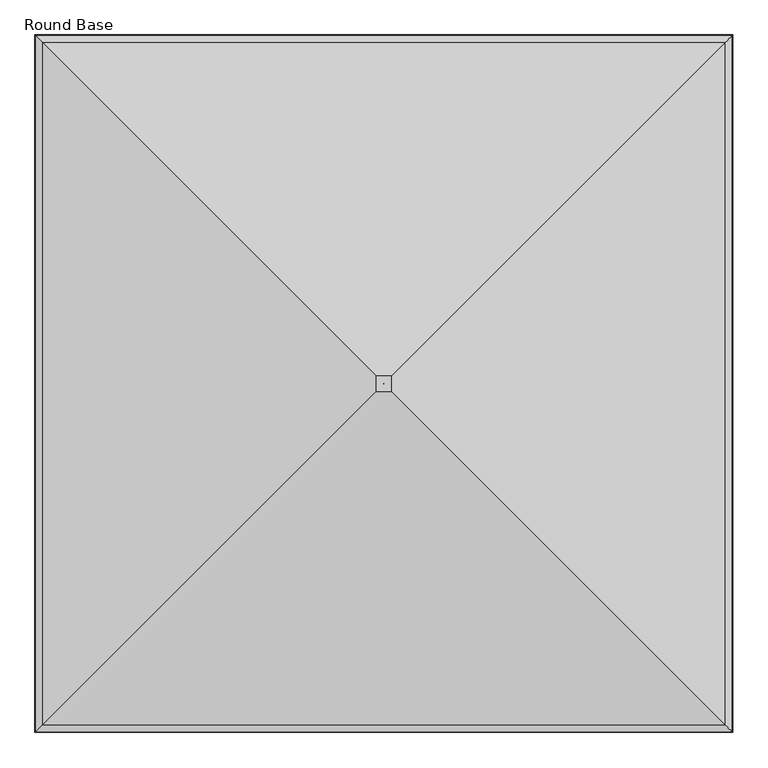
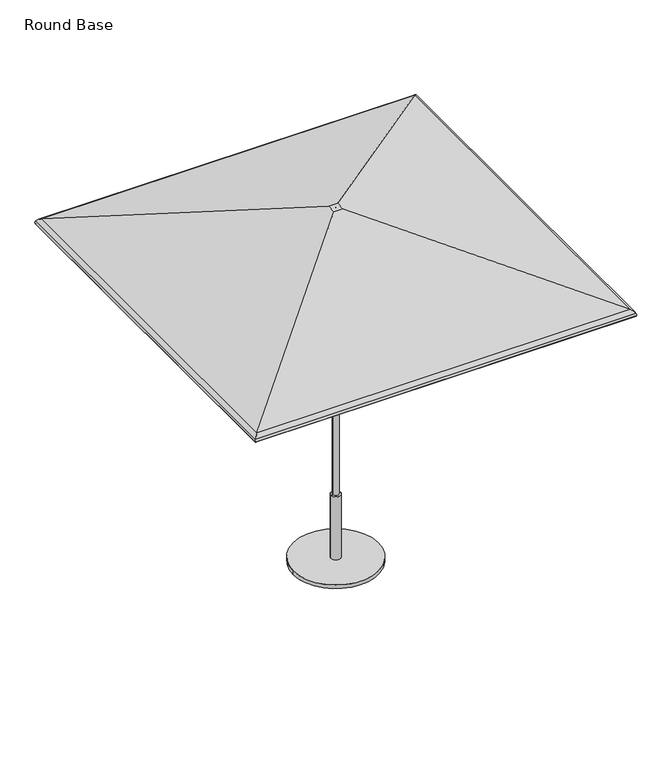
"""IFC4 building model written with IfcOpenShell, lengths in millimetres: furniture geometry, Round Base."""

from ifc_helpers import new_model, si_unit, point, frame, frame_2d, origin, origin_with_axes, place, context, project, spatial, polyline, circle_curve, ellipse_curve, trimmed, segment, composite_curve, outline, extrude, source, transform, mapped, element, save
from ifc_brep_helpers import plane_surface, cylinder_surface, revolved_surface, advanced_brep


def round_base_5a22792f(model_context):
    return source(origin(), model_context, "Body", "SolidModel", [
        advanced_brep(
        [(1223.4008004, -1227.8003535, 2056.1384861), (29.1271987, -33.5267518, 2448.9851097), (-29.1271987, -33.5267518, 2448.9851097), (-1223.4008004, -1227.8003535, 2056.1384861), (1247.9240129, -1252.323566, 2036.3991387), (-1247.9240129, -1252.323566, 2036.3991387), (1250.4423911, -1254.8419442, 2016.9581742), (-1250.4423911, -1254.8419442, 2016.9581742), (1246.050839, -1250.4503921, 2018.201129), (-1246.050839, -1250.4503921, 2018.201129), (1243.9941233, -1248.3936765, 2034.0782262), (-1243.9941233, -1248.3936765, 2034.0782262), (1221.9738888, -1226.3734419, 2051.8032133), (-1221.9738888, -1226.3734419, 2051.8032133), (28.3958193, -32.7953724, 2444.4210472), (-28.3958193, -32.7953724, 2444.4210472), (0.1068966, -4.5064497, 2448.9851097), (0.1068966, -4.5064497, 2444.4210472), (-0.1068966, -4.5064497, 2444.4210472), (-0.1068966, -4.5064497, 2448.9851097), (-29.1271987, 25.4668702, 2448.9851097), (-1223.4008004, 1219.740472, 2056.1384861), (-1247.9240129, 1244.2636844, 2036.3991387), (-1250.4423911, 1246.7820627, 2016.9581742), (-1246.050839, 1242.3905106, 2018.201129), (-1243.9941233, 1240.3337949, 2034.0782262), (-1221.9738888, 1218.3135603, 2051.8032133), (-28.3958193, 24.7354908, 2444.4210472), (-0.1068966, -3.5534318, 2444.4210472), (-0.1068966, -3.5534318, 2448.9851097), (29.1271987, 25.4668702, 2448.9851097), (1223.4008004, 1219.740472, 2056.1384861), (1247.9240129, 1244.2636844, 2036.3991387), (1250.4423911, 1246.7820627, 2016.9581742), (1246.050839, 1242.3905106, 2018.201129), (1243.9941233, 1240.3337949, 2034.0782262), (1221.9738888, 1218.3135603, 2051.8032133), (28.3958193, 24.7354908, 2444.4210472), (0.1068966, -3.5534318, 2444.4210472), (0.1068966, -3.5534318, 2448.9851097)],
        [
            (0, 1),
            (1, 2),
            (2, 3),
            (3, 0),
            (4, 0, ellipse_curve(frame((1209.4091708, -1213.8087239, 2013.6530594), z_axis=(-0.707106781186547, -0.7071067811865481, 0.0), x_axis=(0.707106781186548, -0.7071067811865471, 0.0)), 63.2578403, 44.7300479)),
            (3, 5, ellipse_curve(frame((-1209.4091708, -1213.8087239, 2013.6530594), z_axis=(0.7071067811865491, -0.7071067811865459, 0.0), x_axis=(0.7071067811865458, 0.7071067811865491, 0.0)), 63.2578403, 44.7300479)),
            (5, 4),
            (6, 4, ellipse_curve(frame((1226.48639, -1230.8859431, 2023.7385164), z_axis=(-0.707106781186547, -0.7071067811865481, 0.0), x_axis=(0.707106781186548, -0.7071067811865471, 0.0)), 35.2097438, 24.8970486)),
            (5, 7, ellipse_curve(frame((-1226.48639, -1230.8859431, 2023.7385164), z_axis=(0.7071067811865491, -0.7071067811865459, 0.0), x_axis=(0.7071067811865458, 0.7071067811865491, 0.0)), 35.2097438, 24.8970486)),
            (7, 6),
            (8, 6, ellipse_curve(frame((1248.2466151, -1252.6461682, 2017.5796516), z_axis=(-0.707106781186547, -0.7071067811865481, 0.0), x_axis=(0.707106781186548, -0.7071067811865471, 0.0)), 3.2272795, 2.2820312)),
            (7, 9, ellipse_curve(frame((-1248.2466151, -1252.6461682, 2017.5796516), z_axis=(0.7071067811865491, -0.7071067811865459, 0.0), x_axis=(0.7071067811865458, 0.7071067811865491, 0.0)), 3.2272795, 2.2820312)),
            (9, 8),
            (10, 8, ellipse_curve(frame((1226.48639, -1230.8859431, 2023.7385164), z_axis=(0.707106781186547, 0.7071067811865481, 0.0), x_axis=(-0.707106781186548, 0.7071067811865471, 0.0)), 28.7551847, 20.3329861)),
            (9, 11, ellipse_curve(frame((-1226.48639, -1230.8859431, 2023.7385164), z_axis=(-0.7071067811865491, 0.7071067811865459, 0.0), x_axis=(-0.7071067811865458, -0.7071067811865491, 0.0)), 28.7551847, 20.3329861)),
            (11, 10),
            (12, 10, ellipse_curve(frame((1209.4091708, -1213.8087239, 2013.6530594), z_axis=(0.707106781186547, 0.7071067811865481, 0.0), x_axis=(-0.707106781186548, 0.7071067811865471, 0.0)), 56.8032813, 40.1659854)),
            (11, 13, ellipse_curve(frame((-1209.4091708, -1213.8087239, 2013.6530594), z_axis=(-0.7071067811865491, 0.7071067811865459, 0.0), x_axis=(-0.7071067811865458, -0.7071067811865491, 0.0)), 56.8032813, 40.1659854)),
            (13, 12),
            (14, 12),
            (13, 15),
            (15, 14),
            (16, 17),
            (17, 18),
            (18, 19),
            (19, 16),
            (2, 20),
            (20, 21),
            (21, 3),
            (21, 22, ellipse_curve(frame((-1209.4091708, 1205.7488423, 2013.6530594), z_axis=(-0.7071067811865482, -0.7071067811865469, 0.0), x_axis=(0.707106781186547, -0.707106781186548, 0.0)), 63.2578403, 44.7300479)),
            (22, 5),
            (22, 23, ellipse_curve(frame((-1226.48639, 1222.8260616, 2023.7385164), z_axis=(-0.7071067811865482, -0.7071067811865469, 0.0), x_axis=(0.707106781186547, -0.707106781186548, 0.0)), 35.2097438, 24.8970486)),
            (23, 7),
            (23, 24, ellipse_curve(frame((-1248.2466151, 1244.5862866, 2017.5796516), z_axis=(-0.7071067811865482, -0.7071067811865469, 0.0), x_axis=(0.707106781186547, -0.707106781186548, 0.0)), 3.2272795, 2.2820312)),
            (24, 9),
            (24, 25, ellipse_curve(frame((-1226.48639, 1222.8260616, 2023.7385164), z_axis=(0.7071067811865482, 0.7071067811865469, 0.0), x_axis=(-0.707106781186547, 0.707106781186548, 0.0)), 28.7551847, 20.3329861)),
            (25, 11),
            (25, 26, ellipse_curve(frame((-1209.4091708, 1205.7488423, 2013.6530594), z_axis=(0.7071067811865482, 0.7071067811865469, 0.0), x_axis=(-0.707106781186547, 0.707106781186548, 0.0)), 56.8032813, 40.1659854)),
            (26, 13),
            (26, 27),
            (27, 15),
            (18, 28),
            (28, 29),
            (29, 19),
            (20, 30),
            (30, 31),
            (31, 21),
            (31, 32, ellipse_curve(frame((1209.4091708, 1205.7488423, 2013.6530594), z_axis=(-0.7071067811865458, 0.7071067811865492, 0.0), x_axis=(-0.7071067811865492, -0.7071067811865458, 0.0)), 63.2578403, 44.7300479)),
            (32, 22),
            (32, 33, ellipse_curve(frame((1226.48639, 1222.8260616, 2023.7385164), z_axis=(-0.7071067811865458, 0.7071067811865492, 0.0), x_axis=(-0.7071067811865492, -0.7071067811865458, 0.0)), 35.2097438, 24.8970486)),
            (33, 23),
            (33, 34, ellipse_curve(frame((1248.2466151, 1244.5862866, 2017.5796516), z_axis=(-0.7071067811865458, 0.7071067811865492, 0.0), x_axis=(-0.7071067811865492, -0.7071067811865458, 0.0)), 3.2272795, 2.2820312)),
            (34, 24),
            (34, 35, ellipse_curve(frame((1226.48639, 1222.8260616, 2023.7385164), z_axis=(0.7071067811865458, -0.7071067811865492, 0.0), x_axis=(0.7071067811865492, 0.7071067811865458, 0.0)), 28.7551847, 20.3329861)),
            (35, 25),
            (35, 36, ellipse_curve(frame((1209.4091708, 1205.7488423, 2013.6530594), z_axis=(0.7071067811865458, -0.7071067811865492, 0.0), x_axis=(0.7071067811865492, 0.7071067811865458, 0.0)), 56.8032813, 40.1659854)),
            (36, 26),
            (36, 37),
            (37, 27),
            (28, 38),
            (38, 39),
            (39, 29),
            (30, 1),
            (0, 31),
            (4, 32),
            (6, 33),
            (8, 34),
            (10, 35),
            (12, 36),
            (14, 37),
            (17, 38),
            (16, 39),
        ],
        [
            plane_surface(frame((29.1271987, -33.5267518, 2448.9851097), z_axis=(0.0, -0.3124708984398308, 0.9499273328145712), x_axis=(-1.0, 0.0, 0.0))),
            cylinder_surface(frame((1267.8016718, -1213.8087239, 2013.6530594), z_axis=(1.0, 0.0, 0.0), x_axis=(0.0, -1.0, 0.0)), 44.7300479),
            cylinder_surface(frame((1267.8016718, -1230.8859431, 2023.7385164), z_axis=(1.0, 0.0, 0.0), x_axis=(0.0, -1.0, 0.0)), 24.8970486),
            cylinder_surface(frame((1267.8016718, -1252.6461682, 2017.5796516), z_axis=(1.0, 0.0, 0.0), x_axis=(0.0, -1.0, 0.0)), 2.2820312),
            revolved_surface(polyline([(-1246.8193760956415, -1251.2189292, 2023.7385164), (1246.8193760956417, -1251.2189292, 2023.7385164)]), (1267.8016718, -1230.8859431, 2023.7385164), (-1.0, 0.0, 0.0)),
            revolved_surface(polyline([(-1249.5751562008768, -1253.9747092999999, 2013.6530594), (1249.575156200877, -1253.9747092999999, 2013.6530594)]), (1267.8016718, -1213.8087239, 2013.6530594), (-1.0, 0.0, 0.0)),
            plane_surface(frame((1221.9738888, -1226.3734419, 2051.8032133), z_axis=(0.0, 0.3124708984398308, -0.9499273328145712), x_axis=(-1.0, 0.0, 0.0))),
            plane_surface(frame((0.1068966, -4.5064497, 2444.4210472), z_axis=(-1.2662550629033169e-12, 1.0, 0.0), x_axis=(-1.0, -1.2662550629033169e-12, 0.0))),
            plane_surface(frame((-29.1271987, -33.5267518, 2448.9851097), z_axis=(-0.3124708984398277, 0.0, 0.9499273328145722), x_axis=(0.0, 1.0, 0.0))),
            cylinder_surface(frame((-1209.4091708, -1272.2012249, 2013.6530594), z_axis=(0.0, -1.0, 0.0), x_axis=(-1.0, 0.0, 0.0)), 44.7300479),
            cylinder_surface(frame((-1226.48639, -1272.2012249, 2023.7385164), z_axis=(0.0, -1.0, 0.0), x_axis=(-1.0, 0.0, 0.0)), 24.8970486),
            cylinder_surface(frame((-1248.2466151, -1272.2012249, 2017.5796516), z_axis=(0.0, -1.0, 0.0), x_axis=(-1.0, 0.0, 0.0)), 2.2820312),
            revolved_surface(polyline([(-1246.8193761, 1243.1590476956417, 2023.7385164), (-1246.8193761, -1251.2189291956417, 2023.7385164)]), (-1226.48639, -1272.2012249, 2023.7385164), (0.0, 1.0, 0.0)),
            revolved_surface(polyline([(-1249.5751562, 1245.9148277008771, 2013.6530594), (-1249.5751562, -1253.974709300877, 2013.6530594)]), (-1209.4091708, -1272.2012249, 2013.6530594), (0.0, 1.0, 0.0)),
            plane_surface(frame((-1221.9738888, -1226.3734419, 2051.8032133), z_axis=(0.3124708984398277, 0.0, -0.9499273328145722), x_axis=(0.0, 1.0, 0.0))),
            plane_surface(frame((-0.1068966, -4.5064497, 2444.4210472), z_axis=(1.0, 0.0, 0.0), x_axis=(0.0, 1.0, 0.0))),
            plane_surface(frame((-29.1271987, 25.4668702, 2448.9851097), z_axis=(0.0, 0.31247089843983084, 0.9499273328145712), x_axis=(1.0, 0.0, 0.0))),
            cylinder_surface(frame((-1267.8016718, 1205.7488423, 2013.6530594), z_axis=(-1.0, 0.0, 0.0), x_axis=(0.0, 1.0, 0.0)), 44.7300479),
            cylinder_surface(frame((-1267.8016718, 1222.8260616, 2023.7385164), z_axis=(-1.0, 0.0, 0.0), x_axis=(0.0, 1.0, 0.0)), 24.8970486),
            cylinder_surface(frame((-1267.8016718, 1244.5862866, 2017.5796516), z_axis=(-1.0, 0.0, 0.0), x_axis=(0.0, 1.0, 0.0)), 2.2820312),
            revolved_surface(polyline([(1246.819376095642, 1243.1590477, 2023.7385164), (-1246.8193760956417, 1243.1590477, 2023.7385164)]), (-1267.8016718, 1222.8260616, 2023.7385164), (1.0, 0.0, 0.0)),
            revolved_surface(polyline([(1249.5751562008772, 1245.9148277, 2013.6530594), (-1249.575156200877, 1245.9148277, 2013.6530594)]), (-1267.8016718, 1205.7488423, 2013.6530594), (1.0, 0.0, 0.0)),
            plane_surface(frame((-1221.9738888, 1218.3135603, 2051.8032133), z_axis=(0.0, -0.31247089843983084, -0.9499273328145712), x_axis=(1.0, 0.0, 0.0))),
            plane_surface(frame((-0.1068966, -3.5534318, 2444.4210472), z_axis=(-1.2662550628904897e-12, -1.0, 0.0), x_axis=(1.0, -1.2662550628904897e-12, 0.0))),
            plane_surface(frame((29.1271987, 25.4668702, 2448.9851097), z_axis=(0.312470898439834, 0.0, 0.9499273328145701), x_axis=(0.0, -1.0, 0.0))),
            cylinder_surface(frame((1209.4091708, 1264.1413433, 2013.6530594), z_axis=(0.0, 1.0, 0.0), x_axis=(1.0, 0.0, 0.0)), 44.7300479),
            cylinder_surface(frame((1226.48639, 1264.1413433, 2023.7385164), z_axis=(0.0, 1.0, 0.0), x_axis=(1.0, 0.0, 0.0)), 24.8970486),
            cylinder_surface(frame((1248.2466151, 1264.1413433, 2017.5796516), z_axis=(0.0, 1.0, 0.0), x_axis=(1.0, 0.0, 0.0)), 2.2820312),
            revolved_surface(polyline([(1246.8193761, -1251.2189291956413, 2023.7385164), (1246.8193761, 1243.1590476956417, 2023.7385164)]), (1226.48639, 1264.1413433, 2023.7385164), (0.0, -1.0, 0.0)),
            revolved_surface(polyline([(1249.5751562, -1253.974709300877, 2013.6530594), (1249.5751562, 1245.914827700877, 2013.6530594)]), (1209.4091708, 1264.1413433, 2013.6530594), (0.0, -1.0, 0.0)),
            plane_surface(frame((1221.9738888, 1218.3135603, 2051.8032133), z_axis=(-0.312470898439834, 0.0, -0.9499273328145701), x_axis=(0.0, -1.0, 0.0))),
            plane_surface(frame((28.3958193, 24.7354908, 2444.4210472), z_axis=(0.0, 0.0, -1.0), x_axis=(0.0, -1.0, 0.0))),
            plane_surface(frame((0.1068966, -3.5534318, 2444.4210472), z_axis=(-1.0, 0.0, 0.0), x_axis=(0.0, -1.0, 0.0))),
            plane_surface(frame((0.1068966, -3.5534318, 2448.9851097), z_axis=(0.0, 0.0, 1.0), x_axis=(0.0, -1.0, 0.0))),
        ],
        [
            (0, [[1, 2, 3, 4]]),
            (1, [[5, -4, 6, 7]]),
            (2, [[8, -7, 9, 10]]),
            (3, [[11, -10, 12, 13]]),
            (4, [[14, -13, 15, 16]]),
            (5, [[17, -16, 18, 19]]),
            (6, [[20, -19, 21, 22]]),
            (7, [[23, 24, 25, 26]]),
            (8, [[-3, 27, 28, 29]]),
            (9, [[-6, -29, 30, 31]]),
            (10, [[-9, -31, 32, 33]]),
            (11, [[-12, -33, 34, 35]]),
            (12, [[-15, -35, 36, 37]]),
            (13, [[-18, -37, 38, 39]]),
            (14, [[-21, -39, 40, 41]]),
            (15, [[-25, 42, 43, 44]]),
            (16, [[-28, 45, 46, 47]]),
            (17, [[-30, -47, 48, 49]]),
            (18, [[-32, -49, 50, 51]]),
            (19, [[-34, -51, 52, 53]]),
            (20, [[-36, -53, 54, 55]]),
            (21, [[-38, -55, 56, 57]]),
            (22, [[-40, -57, 58, 59]]),
            (23, [[-43, 60, 61, 62]]),
            (24, [[-46, 63, -1, 64]]),
            (25, [[-48, -64, -5, 65]]),
            (26, [[-50, -65, -8, 66]]),
            (27, [[-52, -66, -11, 67]]),
            (28, [[-54, -67, -14, 68]]),
            (29, [[-56, -68, -17, 69]]),
            (30, [[-58, -69, -20, 70]]),
            (31, [[-41, -59, -70, -22], [71, -60, -42, -24]]),
            (32, [[-61, -71, -23, 72]]),
            (33, [[-63, -45, -27, -2], [-44, -62, -72, -26]]),
        ],
    ),
        extrude(outline(composite_curve([segment(trimmed(circle_curve(frame_2d((0.0, -4.0299408)), 279.4), [point((-279.4, -4.0299408))], [point((279.4, -4.0299408))], False, "CARTESIAN"), True, "CONTINUOUS"), segment(trimmed(circle_curve(frame_2d((0.0, -4.0299408)), 279.4), [point((279.4, -4.0299408))], [point((-279.4, -4.0299408))], False, "CARTESIAN"), True, "CONTINUOUS")], self_intersect=False)), origin_with_axes(), (0.0, 0.0, 1.0), 25.4),
        advanced_brep(
        [(-19.05, -4.0299408, 463.5500121), (19.05, -4.0299408, 463.5500121), (31.7499992, -4.0299408, 463.5500121), (-31.7499992, -4.0299408, 463.5500121), (-19.05, -4.0299408, 1873.1507813), (19.05, -4.0299408, 1873.1507813), (0.0, -4.0299408, 1873.1507813), (-31.7499992, -4.0299408, 25.4), (31.7499992, -4.0299408, 25.4), (0.0, -4.0299408, 25.4)],
        [
            (0, 1, circle_curve(frame((0.0, -4.0299408, 463.5500121), z_axis=(0.0, 0.0, -1.0), x_axis=(1.0, 0.0, 0.0)), 19.05)),
            (1, 2),
            (2, 3, circle_curve(frame((0.0, -4.0299408, 463.5500121), z_axis=(0.0, 0.0, 1.0), x_axis=(1.0, 0.0, 0.0)), 31.7499992)),
            (3, 0),
            (1, 0, circle_curve(frame((0.0, -4.0299408, 463.5500121), z_axis=(0.0, 0.0, -1.0), x_axis=(1.0, 0.0, 0.0)), 19.05)),
            (3, 2, circle_curve(frame((0.0, -4.0299408, 463.5500121), z_axis=(0.0, 0.0, 1.0), x_axis=(1.0, 0.0, 0.0)), 31.7499992)),
            (4, 5, circle_curve(frame((0.0, -4.0299408, 1873.1507813), z_axis=(0.0, 0.0, -1.0), x_axis=(1.0, 0.0, 0.0)), 19.05)),
            (5, 1),
            (0, 4),
            (5, 4, circle_curve(frame((0.0, -4.0299408, 1873.1507813), z_axis=(0.0, 0.0, -1.0), x_axis=(1.0, 0.0, 0.0)), 19.05)),
            (6, 5),
            (4, 6),
            (7, 8, circle_curve(frame((0.0, -4.0299408, 25.4), z_axis=(0.0, 0.0, -1.0), x_axis=(1.0, 0.0, 0.0)), 31.7499992)),
            (8, 9),
            (9, 7),
            (8, 7, circle_curve(frame((0.0, -4.0299408, 25.4), z_axis=(0.0, 0.0, -1.0), x_axis=(1.0, 0.0, 0.0)), 31.7499992)),
            (2, 8),
            (7, 3),
        ],
        [
            plane_surface(frame((0.0, -4.0299408, 463.5500121), z_axis=(0.0, 0.0, 1.0), x_axis=(1.0, 0.0, 0.0))),
            cylinder_surface(frame((0.0, -4.0299408, 2736.7507813), z_axis=(0.0, 0.0, 1.0), x_axis=(1.0, 0.0, 0.0)), 19.05),
            plane_surface(frame((0.0, -4.0299408, 1873.1507813), z_axis=(0.0, 0.0, 1.0), x_axis=(1.0, 0.0, 0.0))),
            plane_surface(frame((0.0, -4.0299408, 25.4), z_axis=(0.0, 0.0, -1.0), x_axis=(1.0, 0.0, 0.0))),
            cylinder_surface(frame((0.0, -4.0299408, 2736.7507813), z_axis=(0.0, 0.0, 1.0), x_axis=(1.0, 0.0, 0.0)), 31.7499992),
        ],
        [
            (0, [[1, 2, 3, 4]]),
            (0, [[5, -4, 6, -2]]),
            (1, [[7, 8, -1, 9]]),
            (1, [[10, -9, -5, -8]]),
            (2, [[11, -7, 12]]),
            (2, [[-12, -10, -11]]),
            (3, [[13, 14, 15]]),
            (3, [[16, -15, -14]]),
            (4, [[-3, 17, -13, 18]]),
            (4, [[-6, -18, -16, -17]]),
        ],
    ),
    ])


if __name__ == "__main__":
    model = new_model("IFC4")
    model_context = context("Model", 3, world=origin())
    ifc_project = project(units=[si_unit("LENGTHUNIT", "METRE", prefix="MILLI")], contexts=[model_context])
    site = spatial("IfcSite", under=ifc_project)
    building = spatial("IfcBuilding", under=site)
    placement = place(None, origin())
    round_base_shape = round_base_5a22792f(model_context)
    element("IfcFurniture", 1, ObjectType="Round Base", at=placement, inside=building, context=model_context, shape_type="MappedRepresentation", body=[
        mapped(round_base_shape, transform((0.0, 0.0, 0.0), x_axis=(1.0, 0.0, 0.0), y_axis=(0.0, 1.0, 0.0), z_axis=(0.0, 0.0, 1.0))),
    ])
    save(model, "model.ifc")
